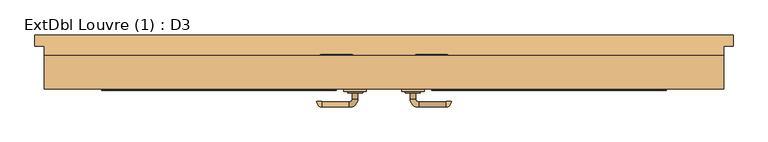
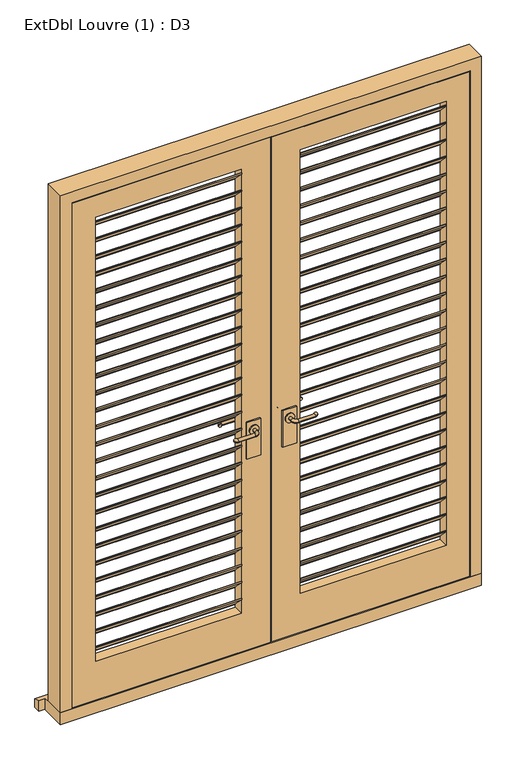
"""IFC4 building model written with IfcOpenShell, lengths in millimetres: door geometry, ExtDbl Louvre (1) : D3."""

from ifc_helpers import new_model, si_unit, point, frame, frame_2d, origin, place, context, project, spatial, polyline, circle_curve, ellipse_curve, trimmed, segment, composite_curve, outline, extrude, faceted_brep, source, transform, mapped, element, save
from ifc_brep_helpers import plane_surface, cylinder_surface, revolved_surface, advanced_brep


def extdbl_louvre_1_d3_a356f4bf(model_context):
    return source(origin(), model_context, "Body", "SolidModel", [
        extrude(outline(polyline([(-39.0, 2142.212), (5.0, 2098.212), (5.0, 2093.812), (2.0, 2093.812), (2.0, 2096.9693593), (-42.0, 2140.9693593), (-42.0, 2146.612), (-39.0, 2146.612), (-39.0, 2142.212)])), frame((126.5, 0.0, 0.0), z_axis=(1.0, 0.0, 0.0), x_axis=(0.0, 1.0, 0.0)), (0.0, 0.0, 1.0), 622.0),
        extrude(outline(polyline([(-39.0, 2065.324), (5.0, 2021.324), (5.0, 2016.924), (2.0, 2016.924), (2.0, 2020.0813593), (-42.0, 2064.0813593), (-42.0, 2069.724), (-39.0, 2069.724), (-39.0, 2065.324)])), frame((126.5, 0.0, 0.0), z_axis=(1.0, 0.0, 0.0), x_axis=(0.0, 1.0, 0.0)), (0.0, 0.0, 1.0), 622.0),
        extrude(outline(polyline([(-39.0, 1988.436), (5.0, 1944.436), (5.0, 1940.036), (2.0, 1940.036), (2.0, 1943.1933593), (-42.0, 1987.1933593), (-42.0, 1992.836), (-39.0, 1992.836), (-39.0, 1988.436)])), frame((126.5, 0.0, 0.0), z_axis=(1.0, 0.0, 0.0), x_axis=(0.0, 1.0, 0.0)), (0.0, 0.0, 1.0), 622.0),
        extrude(outline(polyline([(-39.0, 1911.548), (5.0, 1867.548), (5.0, 1863.148), (2.0, 1863.148), (2.0, 1866.3053593), (-42.0, 1910.3053593), (-42.0, 1915.948), (-39.0, 1915.948), (-39.0, 1911.548)])), frame((126.5, 0.0, 0.0), z_axis=(1.0, 0.0, 0.0), x_axis=(0.0, 1.0, 0.0)), (0.0, 0.0, 1.0), 622.0),
        extrude(outline(polyline([(-39.0, 1834.66), (5.0, 1790.66), (5.0, 1786.26), (2.0, 1786.26), (2.0, 1789.4173593), (-42.0, 1833.4173593), (-42.0, 1839.06), (-39.0, 1839.06), (-39.0, 1834.66)])), frame((126.5, 0.0, 0.0), z_axis=(1.0, 0.0, 0.0), x_axis=(0.0, 1.0, 0.0)), (0.0, 0.0, 1.0), 622.0),
        extrude(outline(polyline([(-39.0, 1757.772), (5.0, 1713.772), (5.0, 1709.372), (2.0, 1709.372), (2.0, 1712.5293593), (-42.0, 1756.5293593), (-42.0, 1762.172), (-39.0, 1762.172), (-39.0, 1757.772)])), frame((126.5, 0.0, 0.0), z_axis=(1.0, 0.0, 0.0), x_axis=(0.0, 1.0, 0.0)), (0.0, 0.0, 1.0), 622.0),
        extrude(outline(polyline([(-39.0, 1680.884), (5.0, 1636.884), (5.0, 1632.484), (2.0, 1632.484), (2.0, 1635.6413593), (-42.0, 1679.6413593), (-42.0, 1685.284), (-39.0, 1685.284), (-39.0, 1680.884)])), frame((126.5, 0.0, 0.0), z_axis=(1.0, 0.0, 0.0), x_axis=(0.0, 1.0, 0.0)), (0.0, 0.0, 1.0), 622.0),
        extrude(outline(polyline([(-39.0, 1603.996), (5.0, 1559.996), (5.0, 1555.596), (2.0, 1555.596), (2.0, 1558.7533593), (-42.0, 1602.7533593), (-42.0, 1608.396), (-39.0, 1608.396), (-39.0, 1603.996)])), frame((126.5, 0.0, 0.0), z_axis=(1.0, 0.0, 0.0), x_axis=(0.0, 1.0, 0.0)), (0.0, 0.0, 1.0), 622.0),
        extrude(outline(polyline([(-39.0, 1527.108), (5.0, 1483.108), (5.0, 1478.708), (2.0, 1478.708), (2.0, 1481.8653593), (-42.0, 1525.8653593), (-42.0, 1531.508), (-39.0, 1531.508), (-39.0, 1527.108)])), frame((126.5, 0.0, 0.0), z_axis=(1.0, 0.0, 0.0), x_axis=(0.0, 1.0, 0.0)), (0.0, 0.0, 1.0), 622.0),
        extrude(outline(polyline([(-39.0, 1450.22), (5.0, 1406.22), (5.0, 1401.82), (2.0, 1401.82), (2.0, 1404.9773593), (-42.0, 1448.9773593), (-42.0, 1454.62), (-39.0, 1454.62), (-39.0, 1450.22)])), frame((126.5, 0.0, 0.0), z_axis=(1.0, 0.0, 0.0), x_axis=(0.0, 1.0, 0.0)), (0.0, 0.0, 1.0), 622.0),
        extrude(outline(polyline([(-39.0, 1373.332), (5.0, 1329.332), (5.0, 1324.932), (2.0, 1324.932), (2.0, 1328.0893593), (-42.0, 1372.0893593), (-42.0, 1377.732), (-39.0, 1377.732), (-39.0, 1373.332)])), frame((126.5, 0.0, 0.0), z_axis=(1.0, 0.0, 0.0), x_axis=(0.0, 1.0, 0.0)), (0.0, 0.0, 1.0), 622.0),
        extrude(outline(polyline([(-39.0, 1296.444), (5.0, 1252.444), (5.0, 1248.044), (2.0, 1248.044), (2.0, 1251.2013593), (-42.0, 1295.2013593), (-42.0, 1300.844), (-39.0, 1300.844), (-39.0, 1296.444)])), frame((126.5, 0.0, 0.0), z_axis=(1.0, 0.0, 0.0), x_axis=(0.0, 1.0, 0.0)), (0.0, 0.0, 1.0), 622.0),
        extrude(outline(polyline([(-39.0, 1219.556), (5.0, 1175.556), (5.0, 1171.156), (2.0, 1171.156), (2.0, 1174.3133593), (-42.0, 1218.3133593), (-42.0, 1223.956), (-39.0, 1223.956), (-39.0, 1219.556)])), frame((126.5, 0.0, 0.0), z_axis=(1.0, 0.0, 0.0), x_axis=(0.0, 1.0, 0.0)), (0.0, 0.0, 1.0), 622.0),
        extrude(outline(polyline([(-39.0, 1142.668), (5.0, 1098.668), (5.0, 1094.268), (2.0, 1094.268), (2.0, 1097.4253593), (-42.0, 1141.4253593), (-42.0, 1147.068), (-39.0, 1147.068), (-39.0, 1142.668)])), frame((126.5, 0.0, 0.0), z_axis=(1.0, 0.0, 0.0), x_axis=(0.0, 1.0, 0.0)), (0.0, 0.0, 1.0), 622.0),
        extrude(outline(polyline([(-39.0, 1065.78), (5.0, 1021.78), (5.0, 1017.38), (2.0, 1017.38), (2.0, 1020.5373593), (-42.0, 1064.5373593), (-42.0, 1070.18), (-39.0, 1070.18), (-39.0, 1065.78)])), frame((126.5, 0.0, 0.0), z_axis=(1.0, 0.0, 0.0), x_axis=(0.0, 1.0, 0.0)), (0.0, 0.0, 1.0), 622.0),
        extrude(outline(polyline([(-39.0, 988.892), (5.0, 944.892), (5.0, 940.492), (2.0, 940.492), (2.0, 943.6493593), (-42.0, 987.6493593), (-42.0, 993.292), (-39.0, 993.292), (-39.0, 988.892)])), frame((126.5, 0.0, 0.0), z_axis=(1.0, 0.0, 0.0), x_axis=(0.0, 1.0, 0.0)), (0.0, 0.0, 1.0), 622.0),
        extrude(outline(polyline([(-39.0, 912.004), (5.0, 868.004), (5.0, 863.604), (2.0, 863.604), (2.0, 866.7613593), (-42.0, 910.7613593), (-42.0, 916.404), (-39.0, 916.404), (-39.0, 912.004)])), frame((126.5, 0.0, 0.0), z_axis=(1.0, 0.0, 0.0), x_axis=(0.0, 1.0, 0.0)), (0.0, 0.0, 1.0), 622.0),
        extrude(outline(polyline([(-39.0, 835.116), (5.0, 791.116), (5.0, 786.716), (2.0, 786.716), (2.0, 789.8733593), (-42.0, 833.8733593), (-42.0, 839.516), (-39.0, 839.516), (-39.0, 835.116)])), frame((126.5, 0.0, 0.0), z_axis=(1.0, 0.0, 0.0), x_axis=(0.0, 1.0, 0.0)), (0.0, 0.0, 1.0), 622.0),
        extrude(outline(polyline([(-39.0, 758.228), (5.0, 714.228), (5.0, 709.828), (2.0, 709.828), (2.0, 712.9853593), (-42.0, 756.9853593), (-42.0, 762.628), (-39.0, 762.628), (-39.0, 758.228)])), frame((126.5, 0.0, 0.0), z_axis=(1.0, 0.0, 0.0), x_axis=(0.0, 1.0, 0.0)), (0.0, 0.0, 1.0), 622.0),
        extrude(outline(polyline([(-39.0, 681.34), (5.0, 637.34), (5.0, 632.94), (2.0, 632.94), (2.0, 636.0973593), (-42.0, 680.0973593), (-42.0, 685.74), (-39.0, 685.74), (-39.0, 681.34)])), frame((126.5, 0.0, 0.0), z_axis=(1.0, 0.0, 0.0), x_axis=(0.0, 1.0, 0.0)), (0.0, 0.0, 1.0), 622.0),
        extrude(outline(polyline([(-39.0, 604.452), (5.0, 560.452), (5.0, 556.052), (2.0, 556.052), (2.0, 559.2093593), (-42.0, 603.2093593), (-42.0, 608.852), (-39.0, 608.852), (-39.0, 604.452)])), frame((126.5, 0.0, 0.0), z_axis=(1.0, 0.0, 0.0), x_axis=(0.0, 1.0, 0.0)), (0.0, 0.0, 1.0), 622.0),
        extrude(outline(polyline([(-39.0, 527.564), (5.0, 483.564), (5.0, 479.164), (2.0, 479.164), (2.0, 482.3213593), (-42.0, 526.3213593), (-42.0, 531.964), (-39.0, 531.964), (-39.0, 527.564)])), frame((126.5, 0.0, 0.0), z_axis=(1.0, 0.0, 0.0), x_axis=(0.0, 1.0, 0.0)), (0.0, 0.0, 1.0), 622.0),
        extrude(outline(polyline([(-39.0, 450.676), (5.0, 406.676), (5.0, 402.276), (2.0, 402.276), (2.0, 405.4333593), (-42.0, 449.4333593), (-42.0, 455.076), (-39.0, 455.076), (-39.0, 450.676)])), frame((126.5, 0.0, 0.0), z_axis=(1.0, 0.0, 0.0), x_axis=(0.0, 1.0, 0.0)), (0.0, 0.0, 1.0), 622.0),
        extrude(outline(polyline([(-39.0, 2142.212), (5.0, 2098.212), (5.0, 2093.812), (2.0, 2093.812), (2.0, 2096.9693593), (-42.0, 2140.9693593), (-42.0, 2146.612), (-39.0, 2146.612), (-39.0, 2142.212)])), frame((-748.5, 0.0, 0.0), z_axis=(1.0, 0.0, 0.0), x_axis=(0.0, 1.0, 0.0)), (0.0, 0.0, 1.0), 622.0),
        extrude(outline(polyline([(-39.0, 2065.324), (5.0, 2021.324), (5.0, 2016.924), (2.0, 2016.924), (2.0, 2020.0813593), (-42.0, 2064.0813593), (-42.0, 2069.724), (-39.0, 2069.724), (-39.0, 2065.324)])), frame((-748.5, 0.0, 0.0), z_axis=(1.0, 0.0, 0.0), x_axis=(0.0, 1.0, 0.0)), (0.0, 0.0, 1.0), 622.0),
        extrude(outline(polyline([(-39.0, 1988.436), (5.0, 1944.436), (5.0, 1940.036), (2.0, 1940.036), (2.0, 1943.1933593), (-42.0, 1987.1933593), (-42.0, 1992.836), (-39.0, 1992.836), (-39.0, 1988.436)])), frame((-748.5, 0.0, 0.0), z_axis=(1.0, 0.0, 0.0), x_axis=(0.0, 1.0, 0.0)), (0.0, 0.0, 1.0), 622.0),
        extrude(outline(polyline([(-39.0, 1911.548), (5.0, 1867.548), (5.0, 1863.148), (2.0, 1863.148), (2.0, 1866.3053593), (-42.0, 1910.3053593), (-42.0, 1915.948), (-39.0, 1915.948), (-39.0, 1911.548)])), frame((-748.5, 0.0, 0.0), z_axis=(1.0, 0.0, 0.0), x_axis=(0.0, 1.0, 0.0)), (0.0, 0.0, 1.0), 622.0),
        extrude(outline(polyline([(-39.0, 1834.66), (5.0, 1790.66), (5.0, 1786.26), (2.0, 1786.26), (2.0, 1789.4173593), (-42.0, 1833.4173593), (-42.0, 1839.06), (-39.0, 1839.06), (-39.0, 1834.66)])), frame((-748.5, 0.0, 0.0), z_axis=(1.0, 0.0, 0.0), x_axis=(0.0, 1.0, 0.0)), (0.0, 0.0, 1.0), 622.0),
        extrude(outline(polyline([(-39.0, 1757.772), (5.0, 1713.772), (5.0, 1709.372), (2.0, 1709.372), (2.0, 1712.5293593), (-42.0, 1756.5293593), (-42.0, 1762.172), (-39.0, 1762.172), (-39.0, 1757.772)])), frame((-748.5, 0.0, 0.0), z_axis=(1.0, 0.0, 0.0), x_axis=(0.0, 1.0, 0.0)), (0.0, 0.0, 1.0), 622.0),
        extrude(outline(polyline([(-39.0, 1680.884), (5.0, 1636.884), (5.0, 1632.484), (2.0, 1632.484), (2.0, 1635.6413593), (-42.0, 1679.6413593), (-42.0, 1685.284), (-39.0, 1685.284), (-39.0, 1680.884)])), frame((-748.5, 0.0, 0.0), z_axis=(1.0, 0.0, 0.0), x_axis=(0.0, 1.0, 0.0)), (0.0, 0.0, 1.0), 622.0),
        extrude(outline(polyline([(-39.0, 1603.996), (5.0, 1559.996), (5.0, 1555.596), (2.0, 1555.596), (2.0, 1558.7533593), (-42.0, 1602.7533593), (-42.0, 1608.396), (-39.0, 1608.396), (-39.0, 1603.996)])), frame((-748.5, 0.0, 0.0), z_axis=(1.0, 0.0, 0.0), x_axis=(0.0, 1.0, 0.0)), (0.0, 0.0, 1.0), 622.0),
        extrude(outline(polyline([(-39.0, 1527.108), (5.0, 1483.108), (5.0, 1478.708), (2.0, 1478.708), (2.0, 1481.8653593), (-42.0, 1525.8653593), (-42.0, 1531.508), (-39.0, 1531.508), (-39.0, 1527.108)])), frame((-748.5, 0.0, 0.0), z_axis=(1.0, 0.0, 0.0), x_axis=(0.0, 1.0, 0.0)), (0.0, 0.0, 1.0), 622.0),
        extrude(outline(polyline([(-39.0, 1450.22), (5.0, 1406.22), (5.0, 1401.82), (2.0, 1401.82), (2.0, 1404.9773593), (-42.0, 1448.9773593), (-42.0, 1454.62), (-39.0, 1454.62), (-39.0, 1450.22)])), frame((-748.5, 0.0, 0.0), z_axis=(1.0, 0.0, 0.0), x_axis=(0.0, 1.0, 0.0)), (0.0, 0.0, 1.0), 622.0),
        extrude(outline(polyline([(-39.0, 1373.332), (5.0, 1329.332), (5.0, 1324.932), (2.0, 1324.932), (2.0, 1328.0893593), (-42.0, 1372.0893593), (-42.0, 1377.732), (-39.0, 1377.732), (-39.0, 1373.332)])), frame((-748.5, 0.0, 0.0), z_axis=(1.0, 0.0, 0.0), x_axis=(0.0, 1.0, 0.0)), (0.0, 0.0, 1.0), 622.0),
        extrude(outline(polyline([(-39.0, 1296.444), (5.0, 1252.444), (5.0, 1248.044), (2.0, 1248.044), (2.0, 1251.2013593), (-42.0, 1295.2013593), (-42.0, 1300.844), (-39.0, 1300.844), (-39.0, 1296.444)])), frame((-748.5, 0.0, 0.0), z_axis=(1.0, 0.0, 0.0), x_axis=(0.0, 1.0, 0.0)), (0.0, 0.0, 1.0), 622.0),
        extrude(outline(polyline([(-39.0, 1219.556), (5.0, 1175.556), (5.0, 1171.156), (2.0, 1171.156), (2.0, 1174.3133593), (-42.0, 1218.3133593), (-42.0, 1223.956), (-39.0, 1223.956), (-39.0, 1219.556)])), frame((-748.5, 0.0, 0.0), z_axis=(1.0, 0.0, 0.0), x_axis=(0.0, 1.0, 0.0)), (0.0, 0.0, 1.0), 622.0),
        extrude(outline(polyline([(-39.0, 1142.668), (5.0, 1098.668), (5.0, 1094.268), (2.0, 1094.268), (2.0, 1097.4253593), (-42.0, 1141.4253593), (-42.0, 1147.068), (-39.0, 1147.068), (-39.0, 1142.668)])), frame((-748.5, 0.0, 0.0), z_axis=(1.0, 0.0, 0.0), x_axis=(0.0, 1.0, 0.0)), (0.0, 0.0, 1.0), 622.0),
        extrude(outline(polyline([(-39.0, 1065.78), (5.0, 1021.78), (5.0, 1017.38), (2.0, 1017.38), (2.0, 1020.5373593), (-42.0, 1064.5373593), (-42.0, 1070.18), (-39.0, 1070.18), (-39.0, 1065.78)])), frame((-748.5, 0.0, 0.0), z_axis=(1.0, 0.0, 0.0), x_axis=(0.0, 1.0, 0.0)), (0.0, 0.0, 1.0), 622.0),
        extrude(outline(polyline([(-39.0, 988.892), (5.0, 944.892), (5.0, 940.492), (2.0, 940.492), (2.0, 943.6493593), (-42.0, 987.6493593), (-42.0, 993.292), (-39.0, 993.292), (-39.0, 988.892)])), frame((-748.5, 0.0, 0.0), z_axis=(1.0, 0.0, 0.0), x_axis=(0.0, 1.0, 0.0)), (0.0, 0.0, 1.0), 622.0),
        extrude(outline(polyline([(-39.0, 912.004), (5.0, 868.004), (5.0, 863.604), (2.0, 863.604), (2.0, 866.7613593), (-42.0, 910.7613593), (-42.0, 916.404), (-39.0, 916.404), (-39.0, 912.004)])), frame((-748.5, 0.0, 0.0), z_axis=(1.0, 0.0, 0.0), x_axis=(0.0, 1.0, 0.0)), (0.0, 0.0, 1.0), 622.0),
        extrude(outline(polyline([(-39.0, 835.116), (5.0, 791.116), (5.0, 786.716), (2.0, 786.716), (2.0, 789.8733593), (-42.0, 833.8733593), (-42.0, 839.516), (-39.0, 839.516), (-39.0, 835.116)])), frame((-748.5, 0.0, 0.0), z_axis=(1.0, 0.0, 0.0), x_axis=(0.0, 1.0, 0.0)), (0.0, 0.0, 1.0), 622.0),
        extrude(outline(polyline([(-39.0, 758.228), (5.0, 714.228), (5.0, 709.828), (2.0, 709.828), (2.0, 712.9853593), (-42.0, 756.9853593), (-42.0, 762.628), (-39.0, 762.628), (-39.0, 758.228)])), frame((-748.5, 0.0, 0.0), z_axis=(1.0, 0.0, 0.0), x_axis=(0.0, 1.0, 0.0)), (0.0, 0.0, 1.0), 622.0),
        extrude(outline(polyline([(-39.0, 681.34), (5.0, 637.34), (5.0, 632.94), (2.0, 632.94), (2.0, 636.0973593), (-42.0, 680.0973593), (-42.0, 685.74), (-39.0, 685.74), (-39.0, 681.34)])), frame((-748.5, 0.0, 0.0), z_axis=(1.0, 0.0, 0.0), x_axis=(0.0, 1.0, 0.0)), (0.0, 0.0, 1.0), 622.0),
        extrude(outline(polyline([(-39.0, 604.452), (5.0, 560.452), (5.0, 556.052), (2.0, 556.052), (2.0, 559.2093593), (-42.0, 603.2093593), (-42.0, 608.852), (-39.0, 608.852), (-39.0, 604.452)])), frame((-748.5, 0.0, 0.0), z_axis=(1.0, 0.0, 0.0), x_axis=(0.0, 1.0, 0.0)), (0.0, 0.0, 1.0), 622.0),
        extrude(outline(polyline([(-39.0, 527.564), (5.0, 483.564), (5.0, 479.164), (2.0, 479.164), (2.0, 482.3213593), (-42.0, 526.3213593), (-42.0, 531.964), (-39.0, 531.964), (-39.0, 527.564)])), frame((-748.5, 0.0, 0.0), z_axis=(1.0, 0.0, 0.0), x_axis=(0.0, 1.0, 0.0)), (0.0, 0.0, 1.0), 622.0),
        extrude(outline(polyline([(-39.0, 450.676), (5.0, 406.676), (5.0, 402.276), (2.0, 402.276), (2.0, 405.4333593), (-42.0, 449.4333593), (-42.0, 455.076), (-39.0, 455.076), (-39.0, 450.676)])), frame((-748.5, 0.0, 0.0), z_axis=(1.0, 0.0, 0.0), x_axis=(0.0, 1.0, 0.0)), (0.0, 0.0, 1.0), 622.0),
        extrude(outline(composite_curve([segment(trimmed(circle_curve(frame_2d((1050.0, 76.5)), 20.0), [point((1050.0, 56.5))], [point((1050.0, 96.5))], False, "CARTESIAN"), True, "CONTINUOUS"), segment(trimmed(circle_curve(frame_2d((1050.0, 76.5)), 20.0), [point((1050.0, 96.5))], [point((1050.0, 56.5))], False, "CARTESIAN"), True, "CONTINUOUS")], self_intersect=False)), frame((0.0, -49.5929895, 0.0), z_axis=(0.0, 1.0, 0.0), x_axis=(0.0, 0.0, 1.0)), (0.0, 0.0, 1.0), 4.5929895),
        advanced_brep(
        [(83.5, -49.5929895, 1050.0), (69.5, -49.5929895, 1050.0), (69.5, -65.0, 1050.0), (83.5, -65.0, 1050.0), (91.5, -87.0, 1050.0), (91.5, -73.0, 1050.0), (163.5, -87.0, 1050.0), (163.5, -73.0, 1050.0), (164.5, -72.0, 1050.0), (178.5, -72.0, 1050.0)],
        [
            (0, 1, circle_curve(frame((76.5, -49.5929895, 1050.0), z_axis=(0.0, 1.0, 0.0), x_axis=(-1.0, 0.0, 0.0)), 7.0)),
            (1, 0, circle_curve(frame((76.5, -49.5929895, 1050.0), z_axis=(0.0, 1.0, 0.0), x_axis=(-1.0, 0.0, 0.0)), 7.0)),
            (1, 2),
            (2, 3, circle_curve(frame((76.5, -65.0, 1050.0), z_axis=(0.0, 1.0, 0.0), x_axis=(-1.0, 0.0, 0.0)), 7.0)),
            (3, 0),
            (3, 2, circle_curve(frame((76.5, -65.0, 1050.0), z_axis=(0.0, 1.0, 0.0), x_axis=(-1.0, 0.0, 0.0)), 7.0)),
            (4, 5, circle_curve(frame((91.5, -80.0, 1050.0), z_axis=(-1.0, 0.0, 0.0), x_axis=(0.0, -1.0, 0.0)), 7.0)),
            (5, 3, circle_curve(frame((91.5, -65.0, 1050.0), z_axis=(0.0, 0.0, -1.0), x_axis=(-1.0, 0.0, 0.0)), 8.0)),
            (2, 4, circle_curve(frame((91.5, -65.0, 1050.0), z_axis=(0.0, 0.0, 1.0), x_axis=(-1.0, 0.0, 0.0)), 22.0)),
            (5, 4, circle_curve(frame((91.5, -80.0, 1050.0), z_axis=(-1.0, 0.0, 0.0), x_axis=(0.0, -1.0, 0.0)), 7.0)),
            (4, 6),
            (6, 7, circle_curve(frame((163.5, -80.0, 1050.0), z_axis=(-1.0, 0.0, 0.0), x_axis=(0.0, -1.0, 0.0)), 7.0)),
            (7, 5),
            (7, 6, circle_curve(frame((163.5, -80.0, 1050.0), z_axis=(-1.0, 0.0, 0.0), x_axis=(0.0, -1.0, 0.0)), 7.0)),
            (8, 9, circle_curve(frame((171.5, -72.0, 1050.0), z_axis=(0.0, 1.0, 0.0), x_axis=(1.0, 0.0, 0.0)), 7.0)),
            (9, 8, circle_curve(frame((171.5, -72.0, 1050.0), z_axis=(0.0, 1.0, 0.0), x_axis=(1.0, 0.0, 0.0)), 7.0)),
            (8, 7, circle_curve(frame((163.5, -72.0, 1050.0), z_axis=(0.0, 0.0, -1.0), x_axis=(0.0, -1.0, 0.0)), 1.0)),
            (6, 9, circle_curve(frame((163.5, -72.0, 1050.0), z_axis=(0.0, 0.0, 1.0), x_axis=(0.0, -1.0, 0.0)), 15.0)),
        ],
        [
            plane_surface(frame((76.5, -49.5929895, 1050.0), z_axis=(0.0, 1.0, 0.0), x_axis=(0.0, 0.0, 1.0))),
            cylinder_surface(frame((76.5, -49.5929895, 1050.0), z_axis=(0.0, 1.0, 0.0), x_axis=(-1.0, 0.0, 0.0)), 7.0),
            revolved_surface(trimmed(ellipse_curve(frame((76.5, -65.0, 1050.0), z_axis=(0.0, -1.0, 0.0), x_axis=(-1.0, 0.0, 0.0)), 7.0, 7.0), [point((83.5, -65.0, 1050.0))], [point((69.5, -65.0, 1050.0))], True, "CARTESIAN"), (91.5, -65.0, 1050.0), (0.0, 0.0, -1.0)),
            revolved_surface(trimmed(ellipse_curve(frame((76.5, -65.0, 1050.0), z_axis=(0.0, -1.0, 0.0), x_axis=(-1.0, 0.0, 0.0)), 7.0, 7.0), [point((69.5, -65.0, 1050.0))], [point((83.5, -65.0, 1050.0))], True, "CARTESIAN"), (91.5, -65.0, 1050.0), (0.0, 0.0, -1.0)),
            cylinder_surface(frame((91.5, -80.0, 1050.0), z_axis=(-1.0, 0.0, 0.0), x_axis=(0.0, -1.0, 0.0)), 7.0),
            plane_surface(frame((171.5, -72.0, 1050.0), z_axis=(0.0, 1.0, 0.0), x_axis=(0.0, 0.0, 1.0))),
            revolved_surface(trimmed(ellipse_curve(frame((163.5, -80.0, 1050.0), z_axis=(1.0, 0.0, 0.0), x_axis=(0.0, -1.0, 0.0)), 7.0, 7.0), [point((163.5, -73.0, 1050.0))], [point((163.5, -87.0, 1050.0))], True, "CARTESIAN"), (163.5, -72.0, 1050.0), (0.0, 0.0, -1.0)),
            revolved_surface(trimmed(ellipse_curve(frame((163.5, -80.0, 1050.0), z_axis=(1.0, 0.0, 0.0), x_axis=(0.0, -1.0, 0.0)), 7.0, 7.0), [point((163.5, -87.0, 1050.0))], [point((163.5, -73.0, 1050.0))], True, "CARTESIAN"), (163.5, -72.0, 1050.0), (0.0, 0.0, -1.0)),
        ],
        [
            (0, [[1, 2]]),
            (1, [[3, 4, 5, -2]]),
            (1, [[-5, 6, -3, -1]]),
            (2, [[7, 8, -4, 9]]),
            (3, [[10, -9, -6, -8]]),
            (4, [[11, 12, 13, -7]]),
            (4, [[-13, 14, -11, -10]]),
            (5, [[15, 16]]),
            (6, [[-15, 17, -12, 18]]),
            (7, [[-16, -18, -14, -17]]),
        ],
    ),
        extrude(outline(polyline([(106.5, -39.0), (106.5, -45.0), (46.5, -45.0), (46.5, -39.0), (106.5, -39.0)])), frame((0.0, 0.0, 925.0), z_axis=(0.0, 0.0, 1.0), x_axis=(1.0, 0.0, 0.0)), (0.0, 0.0, 1.0), 165.0),
        extrude(outline(composite_curve([segment(trimmed(circle_curve(frame_2d((1050.0, -76.5)), 20.0), [point((1050.0, -56.5))], [point((1050.0, -96.5))], False, "CARTESIAN"), True, "CONTINUOUS"), segment(trimmed(circle_curve(frame_2d((1050.0, -76.5)), 20.0), [point((1050.0, -96.5))], [point((1050.0, -56.5))], False, "CARTESIAN"), True, "CONTINUOUS")], self_intersect=False)), frame((0.0, -49.5929895, 0.0), z_axis=(0.0, 1.0, 0.0), x_axis=(0.0, 0.0, 1.0)), (0.0, 0.0, 1.0), 4.5929895),
        advanced_brep(
        [(-83.5, -49.5929895, 1050.0), (-69.5, -49.5929895, 1050.0), (-83.5, -65.0, 1050.0), (-69.5, -65.0, 1050.0), (-91.5, -87.0, 1050.0), (-91.5, -73.0, 1050.0), (-163.5, -73.0, 1050.0), (-163.5, -87.0, 1050.0), (-164.5, -72.0, 1050.0), (-178.5, -72.0, 1050.0)],
        [
            (0, 1, circle_curve(frame((-76.5, -49.5929895, 1050.0), z_axis=(0.0, 1.0, 0.0), x_axis=(1.0, 0.0, 0.0)), 7.0)),
            (1, 0, circle_curve(frame((-76.5, -49.5929895, 1050.0), z_axis=(0.0, 1.0, 0.0), x_axis=(1.0, 0.0, 0.0)), 7.0)),
            (0, 2),
            (2, 3, circle_curve(frame((-76.5, -65.0, 1050.0), z_axis=(0.0, 1.0, 0.0), x_axis=(1.0, 0.0, 0.0)), 7.0)),
            (3, 1),
            (3, 2, circle_curve(frame((-76.5, -65.0, 1050.0), z_axis=(0.0, 1.0, 0.0), x_axis=(1.0, 0.0, 0.0)), 7.0)),
            (4, 3, circle_curve(frame((-91.5, -65.0, 1050.0), z_axis=(0.0, 0.0, 1.0), x_axis=(1.0, 0.0, 0.0)), 22.0)),
            (2, 5, circle_curve(frame((-91.5, -65.0, 1050.0), z_axis=(0.0, 0.0, -1.0), x_axis=(1.0, 0.0, 0.0)), 8.0)),
            (5, 4, circle_curve(frame((-91.5, -80.0, 1050.0), z_axis=(1.0, 0.0, 0.0), x_axis=(0.0, -1.0, 0.0)), 7.0)),
            (4, 5, circle_curve(frame((-91.5, -80.0, 1050.0), z_axis=(1.0, 0.0, 0.0), x_axis=(0.0, -1.0, 0.0)), 7.0)),
            (5, 6),
            (6, 7, circle_curve(frame((-163.5, -80.0, 1050.0), z_axis=(1.0, 0.0, 0.0), x_axis=(0.0, -1.0, 0.0)), 7.0)),
            (7, 4),
            (7, 6, circle_curve(frame((-163.5, -80.0, 1050.0), z_axis=(1.0, 0.0, 0.0), x_axis=(0.0, -1.0, 0.0)), 7.0)),
            (8, 9, circle_curve(frame((-171.5, -72.0, 1050.0), z_axis=(0.0, 1.0, 0.0), x_axis=(-1.0, 0.0, 0.0)), 7.0)),
            (9, 8, circle_curve(frame((-171.5, -72.0, 1050.0), z_axis=(0.0, 1.0, 0.0), x_axis=(-1.0, 0.0, 0.0)), 7.0)),
            (9, 7, circle_curve(frame((-163.5, -72.0, 1050.0), z_axis=(0.0, 0.0, 1.0), x_axis=(0.0, -1.0, 0.0)), 15.0)),
            (6, 8, circle_curve(frame((-163.5, -72.0, 1050.0), z_axis=(0.0, 0.0, -1.0), x_axis=(0.0, -1.0, 0.0)), 1.0)),
        ],
        [
            plane_surface(frame((-76.5, -49.5929895, 1050.0), z_axis=(0.0, 1.0, 0.0), x_axis=(0.0, 0.0, 1.0))),
            cylinder_surface(frame((-76.5, -49.5929895, 1050.0), z_axis=(0.0, 1.0, 0.0), x_axis=(1.0, 0.0, 0.0)), 7.0),
            revolved_surface(trimmed(ellipse_curve(frame((-76.5, -65.0, 1050.0), z_axis=(0.0, 1.0, 0.0), x_axis=(1.0, 0.0, 0.0)), 7.0, 7.0), [point((-83.5, -65.0, 1050.0))], [point((-69.5, -65.0, 1050.0))], True, "CARTESIAN"), (-91.5, -65.0, 1050.0), (0.0, 0.0, -1.0)),
            revolved_surface(trimmed(ellipse_curve(frame((-76.5, -65.0, 1050.0), z_axis=(0.0, 1.0, 0.0), x_axis=(1.0, 0.0, 0.0)), 7.0, 7.0), [point((-69.5, -65.0, 1050.0))], [point((-83.5, -65.0, 1050.0))], True, "CARTESIAN"), (-91.5, -65.0, 1050.0), (0.0, 0.0, -1.0)),
            cylinder_surface(frame((-91.5, -80.0, 1050.0), z_axis=(1.0, 0.0, 0.0), x_axis=(0.0, -1.0, 0.0)), 7.0),
            plane_surface(frame((-171.5, -72.0, 1050.0), z_axis=(0.0, 1.0, 0.0), x_axis=(0.0, 0.0, 1.0))),
            revolved_surface(trimmed(ellipse_curve(frame((-163.5, -80.0, 1050.0), z_axis=(1.0, 0.0, 0.0), x_axis=(0.0, -1.0, 0.0)), 7.0, 7.0), [point((-163.5, -73.0, 1050.0))], [point((-163.5, -87.0, 1050.0))], True, "CARTESIAN"), (-163.5, -72.0, 1050.0), (0.0, 0.0, -1.0)),
            revolved_surface(trimmed(ellipse_curve(frame((-163.5, -80.0, 1050.0), z_axis=(1.0, 0.0, 0.0), x_axis=(0.0, -1.0, 0.0)), 7.0, 7.0), [point((-163.5, -87.0, 1050.0))], [point((-163.5, -73.0, 1050.0))], True, "CARTESIAN"), (-163.5, -72.0, 1050.0), (0.0, 0.0, -1.0)),
        ],
        [
            (0, [[1, 2]]),
            (1, [[-1, 3, 4, 5]]),
            (1, [[-2, -5, 6, -3]]),
            (2, [[7, -4, 8, 9]]),
            (3, [[-8, -6, -7, 10]]),
            (4, [[-9, 11, 12, 13]]),
            (4, [[-10, -13, 14, -11]]),
            (5, [[15, 16]]),
            (6, [[17, -12, 18, -16]]),
            (7, [[-18, -14, -17, -15]]),
        ],
    ),
        extrude(outline(polyline([(-106.5, -39.0), (-46.5, -39.0), (-46.5, -45.0), (-106.5, -45.0), (-106.5, -39.0)])), frame((0.0, 0.0, 925.0), z_axis=(0.0, 0.0, 1.0), x_axis=(1.0, 0.0, 0.0)), (0.0, 0.0, 1.0), 165.0),
        extrude(outline(composite_curve([segment(trimmed(circle_curve(frame_2d((1050.0, -76.5)), 20.0), [point((1050.0, -56.5))], [point((1050.0, -96.5))], False, "CARTESIAN"), True, "CONTINUOUS"), segment(trimmed(circle_curve(frame_2d((1050.0, -76.5)), 20.0), [point((1050.0, -96.5))], [point((1050.0, -56.5))], False, "CARTESIAN"), True, "CONTINUOUS")], self_intersect=False)), frame((0.0, 11.0, 0.0), z_axis=(0.0, 1.0, 0.0), x_axis=(0.0, 0.0, 1.0)), (0.0, 0.0, 1.0), 4.5929895),
        advanced_brep(
        [(-83.5, 15.5929895, 1050.0), (-69.5, 15.5929895, 1050.0), (-69.5, 31.0, 1050.0), (-83.5, 31.0, 1050.0), (-91.5, 53.0, 1050.0), (-91.5, 39.0, 1050.0), (-163.5, 53.0, 1050.0), (-163.5, 39.0, 1050.0), (-164.5, 38.0, 1050.0), (-178.5, 38.0, 1050.0)],
        [
            (0, 1, circle_curve(frame((-76.5, 15.5929895, 1050.0), z_axis=(0.0, -1.0, 0.0), x_axis=(1.0, 0.0, 0.0)), 7.0)),
            (1, 0, circle_curve(frame((-76.5, 15.5929895, 1050.0), z_axis=(0.0, -1.0, 0.0), x_axis=(1.0, 0.0, 0.0)), 7.0)),
            (1, 2),
            (2, 3, circle_curve(frame((-76.5, 31.0, 1050.0), z_axis=(0.0, -1.0, 0.0), x_axis=(1.0, 0.0, 0.0)), 7.0)),
            (3, 0),
            (3, 2, circle_curve(frame((-76.5, 31.0, 1050.0), z_axis=(0.0, -1.0, 0.0), x_axis=(1.0, 0.0, 0.0)), 7.0)),
            (4, 5, circle_curve(frame((-91.5, 46.0, 1050.0), z_axis=(1.0, 0.0, 0.0), x_axis=(0.0, 1.0, 0.0)), 7.0)),
            (5, 3, circle_curve(frame((-91.5, 31.0, 1050.0), z_axis=(0.0, 0.0, -1.0), x_axis=(1.0, 0.0, 0.0)), 8.0)),
            (2, 4, circle_curve(frame((-91.5, 31.0, 1050.0), z_axis=(0.0, 0.0, 1.0), x_axis=(1.0, 0.0, 0.0)), 22.0)),
            (5, 4, circle_curve(frame((-91.5, 46.0, 1050.0), z_axis=(1.0, 0.0, 0.0), x_axis=(0.0, 1.0, 0.0)), 7.0)),
            (4, 6),
            (6, 7, circle_curve(frame((-163.5, 46.0, 1050.0), z_axis=(1.0, 0.0, 0.0), x_axis=(0.0, 1.0, 0.0)), 7.0)),
            (7, 5),
            (7, 6, circle_curve(frame((-163.5, 46.0, 1050.0), z_axis=(1.0, 0.0, 0.0), x_axis=(0.0, 1.0, 0.0)), 7.0)),
            (8, 9, circle_curve(frame((-171.5, 38.0, 1050.0), z_axis=(0.0, -1.0, 0.0), x_axis=(-1.0, 0.0, 0.0)), 7.0)),
            (9, 8, circle_curve(frame((-171.5, 38.0, 1050.0), z_axis=(0.0, -1.0, 0.0), x_axis=(-1.0, 0.0, 0.0)), 7.0)),
            (8, 7, circle_curve(frame((-163.5, 38.0, 1050.0), z_axis=(0.0, 0.0, -1.0), x_axis=(0.0, 1.0, 0.0)), 1.0)),
            (6, 9, circle_curve(frame((-163.5, 38.0, 1050.0), z_axis=(0.0, 0.0, 1.0), x_axis=(0.0, 1.0, 0.0)), 15.0)),
        ],
        [
            plane_surface(frame((-76.5, 15.5929895, 1050.0), z_axis=(0.0, -1.0, 0.0), x_axis=(0.0, 0.0, 1.0))),
            cylinder_surface(frame((-76.5, 15.5929895, 1050.0), z_axis=(0.0, -1.0, 0.0), x_axis=(1.0, 0.0, 0.0)), 7.0),
            revolved_surface(trimmed(ellipse_curve(frame((-76.5, 31.0, 1050.0), z_axis=(0.0, 1.0, 0.0), x_axis=(1.0, 0.0, 0.0)), 7.0, 7.0), [point((-83.5, 31.0, 1050.0))], [point((-69.5, 31.0, 1050.0))], True, "CARTESIAN"), (-91.5, 31.0, 1050.0), (0.0, 0.0, -1.0)),
            revolved_surface(trimmed(ellipse_curve(frame((-76.5, 31.0, 1050.0), z_axis=(0.0, 1.0, 0.0), x_axis=(1.0, 0.0, 0.0)), 7.0, 7.0), [point((-69.5, 31.0, 1050.0))], [point((-83.5, 31.0, 1050.0))], True, "CARTESIAN"), (-91.5, 31.0, 1050.0), (0.0, 0.0, -1.0)),
            cylinder_surface(frame((-91.5, 46.0, 1050.0), z_axis=(1.0, 0.0, 0.0), x_axis=(0.0, 1.0, 0.0)), 7.0),
            plane_surface(frame((-171.5, 38.0, 1050.0), z_axis=(0.0, -1.0, 0.0), x_axis=(0.0, 0.0, 1.0))),
            revolved_surface(trimmed(ellipse_curve(frame((-163.5, 46.0, 1050.0), z_axis=(-1.0, 0.0, 0.0), x_axis=(0.0, 1.0, 0.0)), 7.0, 7.0), [point((-163.5, 39.0, 1050.0))], [point((-163.5, 53.0, 1050.0))], True, "CARTESIAN"), (-163.5, 38.0, 1050.0), (0.0, 0.0, -1.0)),
            revolved_surface(trimmed(ellipse_curve(frame((-163.5, 46.0, 1050.0), z_axis=(-1.0, 0.0, 0.0), x_axis=(0.0, 1.0, 0.0)), 7.0, 7.0), [point((-163.5, 53.0, 1050.0))], [point((-163.5, 39.0, 1050.0))], True, "CARTESIAN"), (-163.5, 38.0, 1050.0), (0.0, 0.0, -1.0)),
        ],
        [
            (0, [[1, 2]]),
            (1, [[3, 4, 5, -2]]),
            (1, [[-5, 6, -3, -1]]),
            (2, [[7, 8, -4, 9]]),
            (3, [[10, -9, -6, -8]]),
            (4, [[11, 12, 13, -7]]),
            (4, [[-13, 14, -11, -10]]),
            (5, [[15, 16]]),
            (6, [[-15, 17, -12, 18]]),
            (7, [[-16, -18, -14, -17]]),
        ],
    ),
        extrude(outline(polyline([(-106.5, 5.0), (-106.5, 11.0), (-46.5, 11.0), (-46.5, 5.0), (-106.5, 5.0)])), frame((0.0, 0.0, 925.0), z_axis=(0.0, 0.0, 1.0), x_axis=(1.0, 0.0, 0.0)), (0.0, 0.0, 1.0), 165.0),
        extrude(outline(composite_curve([segment(trimmed(circle_curve(frame_2d((1050.0, 76.5)), 20.0), [point((1050.0, 56.5))], [point((1050.0, 96.5))], False, "CARTESIAN"), True, "CONTINUOUS"), segment(trimmed(circle_curve(frame_2d((1050.0, 76.5)), 20.0), [point((1050.0, 96.5))], [point((1050.0, 56.5))], False, "CARTESIAN"), True, "CONTINUOUS")], self_intersect=False)), frame((0.0, 11.0, 0.0), z_axis=(0.0, 1.0, 0.0), x_axis=(0.0, 0.0, 1.0)), (0.0, 0.0, 1.0), 4.5929895),
        advanced_brep(
        [(83.5, 15.5929895, 1050.0), (69.5, 15.5929895, 1050.0), (83.5, 31.0, 1050.0), (69.5, 31.0, 1050.0), (91.5, 53.0, 1050.0), (91.5, 39.0, 1050.0), (163.5, 39.0, 1050.0), (163.5, 53.0, 1050.0), (164.5, 38.0, 1050.0), (178.5, 38.0, 1050.0)],
        [
            (0, 1, circle_curve(frame((76.5, 15.5929895, 1050.0), z_axis=(0.0, -1.0, 0.0), x_axis=(-1.0, 0.0, 0.0)), 7.0)),
            (1, 0, circle_curve(frame((76.5, 15.5929895, 1050.0), z_axis=(0.0, -1.0, 0.0), x_axis=(-1.0, 0.0, 0.0)), 7.0)),
            (0, 2),
            (2, 3, circle_curve(frame((76.5, 31.0, 1050.0), z_axis=(0.0, -1.0, 0.0), x_axis=(-1.0, 0.0, 0.0)), 7.0)),
            (3, 1),
            (3, 2, circle_curve(frame((76.5, 31.0, 1050.0), z_axis=(0.0, -1.0, 0.0), x_axis=(-1.0, 0.0, 0.0)), 7.0)),
            (4, 3, circle_curve(frame((91.5, 31.0, 1050.0), z_axis=(0.0, 0.0, 1.0), x_axis=(-1.0, 0.0, 0.0)), 22.0)),
            (2, 5, circle_curve(frame((91.5, 31.0, 1050.0), z_axis=(0.0, 0.0, -1.0), x_axis=(-1.0, 0.0, 0.0)), 8.0)),
            (5, 4, circle_curve(frame((91.5, 46.0, 1050.0), z_axis=(-1.0, 0.0, 0.0), x_axis=(0.0, 1.0, 0.0)), 7.0)),
            (4, 5, circle_curve(frame((91.5, 46.0, 1050.0), z_axis=(-1.0, 0.0, 0.0), x_axis=(0.0, 1.0, 0.0)), 7.0)),
            (5, 6),
            (6, 7, circle_curve(frame((163.5, 46.0, 1050.0), z_axis=(-1.0, 0.0, 0.0), x_axis=(0.0, 1.0, 0.0)), 7.0)),
            (7, 4),
            (7, 6, circle_curve(frame((163.5, 46.0, 1050.0), z_axis=(-1.0, 0.0, 0.0), x_axis=(0.0, 1.0, 0.0)), 7.0)),
            (8, 9, circle_curve(frame((171.5, 38.0, 1050.0), z_axis=(0.0, -1.0, 0.0), x_axis=(1.0, 0.0, 0.0)), 7.0)),
            (9, 8, circle_curve(frame((171.5, 38.0, 1050.0), z_axis=(0.0, -1.0, 0.0), x_axis=(1.0, 0.0, 0.0)), 7.0)),
            (9, 7, circle_curve(frame((163.5, 38.0, 1050.0), z_axis=(0.0, 0.0, 1.0), x_axis=(0.0, 1.0, 0.0)), 15.0)),
            (6, 8, circle_curve(frame((163.5, 38.0, 1050.0), z_axis=(0.0, 0.0, -1.0), x_axis=(0.0, 1.0, 0.0)), 1.0)),
        ],
        [
            plane_surface(frame((76.5, 15.5929895, 1050.0), z_axis=(0.0, -1.0, 0.0), x_axis=(0.0, 0.0, 1.0))),
            cylinder_surface(frame((76.5, 15.5929895, 1050.0), z_axis=(0.0, -1.0, 0.0), x_axis=(-1.0, 0.0, 0.0)), 7.0),
            revolved_surface(trimmed(ellipse_curve(frame((76.5, 31.0, 1050.0), z_axis=(0.0, -1.0, 0.0), x_axis=(-1.0, 0.0, 0.0)), 7.0, 7.0), [point((83.5, 31.0, 1050.0))], [point((69.5, 31.0, 1050.0))], True, "CARTESIAN"), (91.5, 31.0, 1050.0), (0.0, 0.0, -1.0)),
            revolved_surface(trimmed(ellipse_curve(frame((76.5, 31.0, 1050.0), z_axis=(0.0, -1.0, 0.0), x_axis=(-1.0, 0.0, 0.0)), 7.0, 7.0), [point((69.5, 31.0, 1050.0))], [point((83.5, 31.0, 1050.0))], True, "CARTESIAN"), (91.5, 31.0, 1050.0), (0.0, 0.0, -1.0)),
            cylinder_surface(frame((91.5, 46.0, 1050.0), z_axis=(-1.0, 0.0, 0.0), x_axis=(0.0, 1.0, 0.0)), 7.0),
            plane_surface(frame((171.5, 38.0, 1050.0), z_axis=(0.0, -1.0, 0.0), x_axis=(0.0, 0.0, 1.0))),
            revolved_surface(trimmed(ellipse_curve(frame((163.5, 46.0, 1050.0), z_axis=(-1.0, 0.0, 0.0), x_axis=(0.0, 1.0, 0.0)), 7.0, 7.0), [point((163.5, 39.0, 1050.0))], [point((163.5, 53.0, 1050.0))], True, "CARTESIAN"), (163.5, 38.0, 1050.0), (0.0, 0.0, -1.0)),
            revolved_surface(trimmed(ellipse_curve(frame((163.5, 46.0, 1050.0), z_axis=(-1.0, 0.0, 0.0), x_axis=(0.0, 1.0, 0.0)), 7.0, 7.0), [point((163.5, 53.0, 1050.0))], [point((163.5, 39.0, 1050.0))], True, "CARTESIAN"), (163.5, 38.0, 1050.0), (0.0, 0.0, -1.0)),
        ],
        [
            (0, [[1, 2]]),
            (1, [[-1, 3, 4, 5]]),
            (1, [[-2, -5, 6, -3]]),
            (2, [[7, -4, 8, 9]]),
            (3, [[-8, -6, -7, 10]]),
            (4, [[-9, 11, 12, 13]]),
            (4, [[-10, -13, 14, -11]]),
            (5, [[15, 16]]),
            (6, [[17, -12, 18, -16]]),
            (7, [[-18, -14, -17, -15]]),
        ],
    ),
        extrude(outline(polyline([(106.5, 5.0), (46.5, 5.0), (46.5, 11.0), (106.5, 11.0), (106.5, 5.0)])), frame((0.0, 0.0, 925.0), z_axis=(0.0, 0.0, 1.0), x_axis=(1.0, 0.0, 0.0)), (0.0, 0.0, 1.0), 165.0),
        extrude(outline(polyline([(-39.0, 373.788), (5.0, 329.788), (5.0, 325.388), (2.0, 325.388), (2.0, 328.5453593), (-42.0, 372.5453593), (-42.0, 378.188), (-39.0, 378.188), (-39.0, 373.788)])), frame((126.5, 0.0, 0.0), z_axis=(1.0, 0.0, 0.0), x_axis=(0.0, 1.0, 0.0)), (0.0, 0.0, 1.0), 622.0),
        extrude(outline(polyline([(-39.0, 373.788), (5.0, 329.788), (5.0, 325.388), (2.0, 325.388), (2.0, 328.5453593), (-42.0, 372.5453593), (-42.0, 378.188), (-39.0, 378.188), (-39.0, 373.788)])), frame((-748.5, 0.0, 0.0), z_axis=(1.0, 0.0, 0.0), x_axis=(0.0, 1.0, 0.0)), (0.0, 0.0, 1.0), 622.0),
        extrude(outline(polyline([(-39.0, 2219.1), (5.0, 2175.1), (5.0, 2170.7), (2.0, 2170.7), (2.0, 2173.8573593), (-42.0, 2217.8573593), (-42.0, 2223.5), (-39.0, 2223.5), (-39.0, 2219.1)])), frame((126.5, 0.0, 0.0), z_axis=(1.0, 0.0, 0.0), x_axis=(0.0, 1.0, 0.0)), (0.0, 0.0, 1.0), 622.0),
        extrude(outline(polyline([(-39.0, 296.9), (5.0, 252.9), (5.0, 248.5), (2.0, 248.5), (2.0, 251.6573593), (-42.0, 295.6573593), (-42.0, 301.3), (-39.0, 301.3), (-39.0, 296.9)])), frame((126.5, 0.0, 0.0), z_axis=(1.0, 0.0, 0.0), x_axis=(0.0, 1.0, 0.0)), (0.0, 0.0, 1.0), 622.0),
        extrude(outline(polyline([(-39.0, 2219.1), (5.0, 2175.1), (5.0, 2170.7), (2.0, 2170.7), (2.0, 2173.8573593), (-42.0, 2217.8573593), (-42.0, 2223.5), (-39.0, 2223.5), (-39.0, 2219.1)])), frame((-748.5, 0.0, 0.0), z_axis=(1.0, 0.0, 0.0), x_axis=(0.0, 1.0, 0.0)), (0.0, 0.0, 1.0), 622.0),
        extrude(outline(polyline([(-39.0, 296.9), (5.0, 252.9), (5.0, 248.5), (2.0, 248.5), (2.0, 251.6573593), (-42.0, 295.6573593), (-42.0, 301.3), (-39.0, 301.3), (-39.0, 296.9)])), frame((-748.5, 0.0, 0.0), z_axis=(1.0, 0.0, 0.0), x_axis=(0.0, 1.0, 0.0)), (0.0, 0.0, 1.0), 622.0),
        faceted_brep([(829.5, 50.0, 54.5), (900.0, 50.0, 54.5), (900.0, -39.0, 54.5), (851.5, -39.0, 54.5), (851.5, 8.0, 54.5), (829.5, 8.0, 54.5), (829.5, 50.0, 2319.5), (-829.5, 50.0, 2319.5), (-829.5, 50.0, 54.5), (-900.0, 50.0, 54.5), (-900.0, 50.0, 2390.0), (900.0, 50.0, 2390.0), (900.0, -39.0, 2390.0), (-900.0, -39.0, 2390.0), (-900.0, -39.0, 54.5), (-851.5, -39.0, 54.5), (-851.5, -39.0, 2341.5), (851.5, -39.0, 2341.5), (851.5, 8.0, 2341.5), (-851.5, 8.0, 2341.5), (-851.5, 8.0, 54.5), (-829.5, 8.0, 54.5), (-829.5, 8.0, 2319.5), (829.5, 8.0, 2319.5)], [[[0, 1, 2, 3, 4, 5]], [[1, 0, 6, 7, 8, 9, 10, 11]], [[2, 1, 11, 12]], [[3, 2, 12, 13, 14, 15, 16, 17]], [[4, 3, 17, 18]], [[5, 4, 18, 19, 20, 21, 22, 23]], [[0, 5, 23, 6]], [[12, 11, 10, 13]], [[18, 17, 16, 19]], [[6, 23, 22, 7]], [[8, 21, 20, 15, 14, 9]], [[13, 10, 9, 14]], [[19, 16, 15, 20]], [[7, 22, 21, 8]]]),
        faceted_brep([(925.0, 105.0, 0.0), (925.0, 105.0, 38.5947221), (925.0, 75.0, 47.2703282), (925.0, 75.0, 0.0), (-925.0, 105.0, 38.5947221), (-925.0, 105.0, 0.0), (-925.0, 75.0, 0.0), (-925.0, 75.0, 47.2703282), (900.0, 75.0, 0.0), (900.0, -39.0, 0.0), (-900.0, -39.0, 0.0), (-900.0, 75.0, 0.0), (-900.0, 75.0, 47.2703282), (-900.0, 50.0, 54.5), (900.0, 50.0, 54.5), (900.0, 75.0, 47.2703282), (-900.0, -39.0, 54.5), (900.0, -39.0, 54.5)], [[[0, 1, 2, 3]], [[4, 5, 6, 7]], [[5, 0, 3, 8, 9, 10, 11, 6]], [[1, 0, 5, 4]], [[1, 4, 7, 12, 13, 14, 15, 2]], [[13, 16, 17, 14]], [[16, 10, 9, 17]], [[12, 11, 10, 16, 13]], [[11, 12, 7, 6]], [[8, 15, 14, 17, 9]], [[15, 8, 3, 2]]]),
        extrude(outline(polyline([(58.5, 848.5), (2338.5, 848.5), (2338.5, 1.5), (58.5, 1.5), (58.5, 848.5)]), holes=[polyline([(2238.5, 748.5), (233.5, 748.5), (233.5, 126.5), (2238.5, 126.5), (2238.5, 748.5)])]), frame((0.0, -39.0, 0.0), z_axis=(0.0, 1.0, 0.0), x_axis=(0.0, 0.0, 1.0)), (0.0, 0.0, 1.0), 44.0),
        extrude(outline(polyline([(58.5, -848.5), (58.5, -1.5), (2338.5, -1.5), (2338.5, -848.5), (58.5, -848.5)]), holes=[polyline([(2238.5, -126.5), (233.5, -126.5), (233.5, -748.5), (2238.5, -748.5), (2238.5, -126.5)])]), frame((0.0, -39.0, 0.0), z_axis=(0.0, 1.0, 0.0), x_axis=(0.0, 0.0, 1.0)), (0.0, 0.0, 1.0), 44.0),
    ])


if __name__ == "__main__":
    model = new_model("IFC4")
    model_context = context("Model", 3, world=origin())
    ifc_project = project(units=[si_unit("LENGTHUNIT", "METRE", prefix="MILLI")], contexts=[model_context])
    site = spatial("IfcSite", under=ifc_project)
    building = spatial("IfcBuilding", under=site)
    placement = place(None, origin())
    extdbl_louvre_1_d3_shape = extdbl_louvre_1_d3_a356f4bf(model_context)
    element("IfcDoor", 1, ObjectType="ExtDbl Louvre (1) : D3", at=placement, inside=building, context=model_context, shape_type="MappedRepresentation", body=[
        mapped(extdbl_louvre_1_d3_shape, transform((0.0, 0.0, 0.0), x_axis=(1.0, 0.0, 0.0), y_axis=(0.0, 1.0, 0.0), z_axis=(0.0, 0.0, 1.0))),
    ])
    save(model, "model.ifc")
